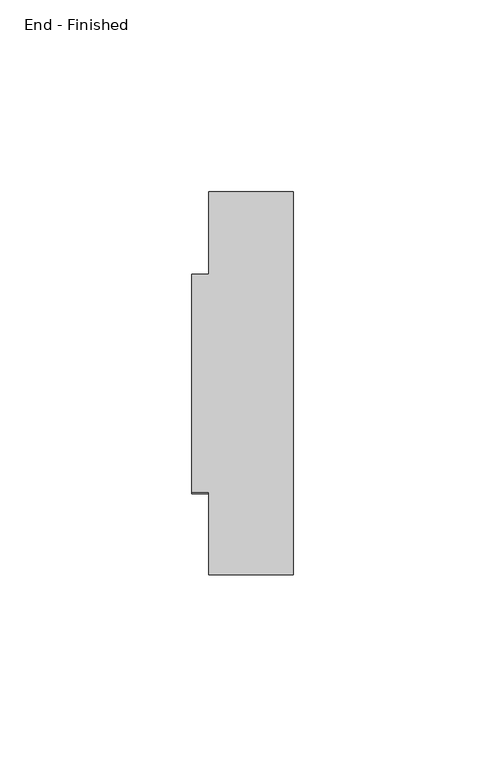
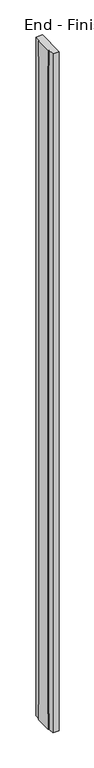
"""IFC4 building model written with IfcOpenShell, lengths in millimetres: furniture geometry, End - Finished."""

from ifc_helpers import new_model, si_unit, origin, place, context, project, spatial, faceted_brep, source, transform, mapped, element, save


def end_finished_77a39d0b(model_context):
    return source(origin(), model_context, "Body", "Brep", [
        faceted_brep([(0.0, 1749.552, 2408.682), (0.0, 1749.552, 2463.8), (0.0, 1806.448, 2463.8), (0.0, 1806.448, 2408.682), (0.0, 1803.146, 2408.682), (0.0, 1803.146, 55.118), (0.0, 1806.448, 55.118), (0.0, 1806.448, 0.0), (0.0, 1749.552, 0.0), (0.0, 1749.552, 55.118), (0.0, 1752.854, 55.118), (0.0, 1752.854, 2408.682), (4.4958, 1749.552, 2408.682), (4.4958, 1749.552, 2463.8), (4.4958, 1728.0001, 2463.8), (26.4922, 1728.0001, 2463.8), (26.4922, 1827.9999, 2463.8), (4.4958, 1827.9999, 2463.8), (4.4958, 1806.448, 2463.8), (4.4958, 1806.448, 2408.682), (4.4958, 1803.146, 2408.682), (4.4958, 1803.146, 55.118), (4.4958, 1806.448, 55.118), (4.4958, 1806.448, 0.0), (4.4958, 1827.9999, 0.0), (26.4922, 1827.9999, 0.0), (26.4922, 1728.0001, 0.0), (4.4958, 1728.0001, 0.0), (4.4958, 1749.552, 0.0), (4.4958, 1749.552, 55.118), (4.4958, 1752.854, 55.118), (4.4958, 1752.854, 2408.682)], [[[0, 1, 2, 3, 4, 5, 6, 7, 8, 9, 10, 11]], [[0, 12, 13, 1]], [[1, 13, 14, 15, 16, 17, 18, 2]], [[2, 18, 19, 3]], [[3, 19, 20, 4]], [[4, 20, 21, 5]], [[5, 21, 22, 6]], [[6, 22, 23, 7]], [[7, 23, 24, 25, 26, 27, 28, 8]], [[8, 28, 29, 9]], [[9, 29, 30, 10]], [[10, 30, 31, 11]], [[11, 31, 12, 0]], [[14, 27, 26, 15]], [[14, 13, 12, 31, 30, 29, 28, 27]], [[24, 23, 22, 21, 20, 19, 18, 17]], [[16, 25, 24, 17]], [[15, 26, 25, 16]]]),
    ])


if __name__ == "__main__":
    model = new_model("IFC4")
    model_context = context("Model", 3, world=origin())
    ifc_project = project(units=[si_unit("LENGTHUNIT", "METRE", prefix="MILLI")], contexts=[model_context])
    site = spatial("IfcSite", under=ifc_project)
    building = spatial("IfcBuilding", under=site)
    placement = place(None, origin())
    end_finished_shape = end_finished_77a39d0b(model_context)
    element("IfcFurniture", 1, ObjectType="End - Finished", at=placement, inside=building, context=model_context, shape_type="MappedRepresentation", body=[
        mapped(end_finished_shape, transform((0.0, 0.0, 0.0), x_axis=(1.0, 0.0, 0.0), y_axis=(0.0, 1.0, 0.0), z_axis=(0.0, 0.0, 1.0))),
    ])
    save(model, "model.ifc")
